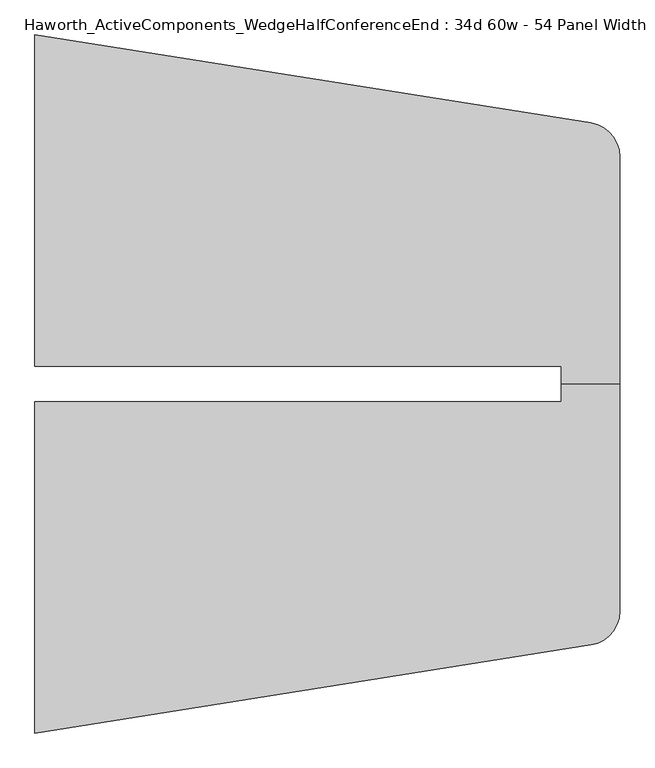
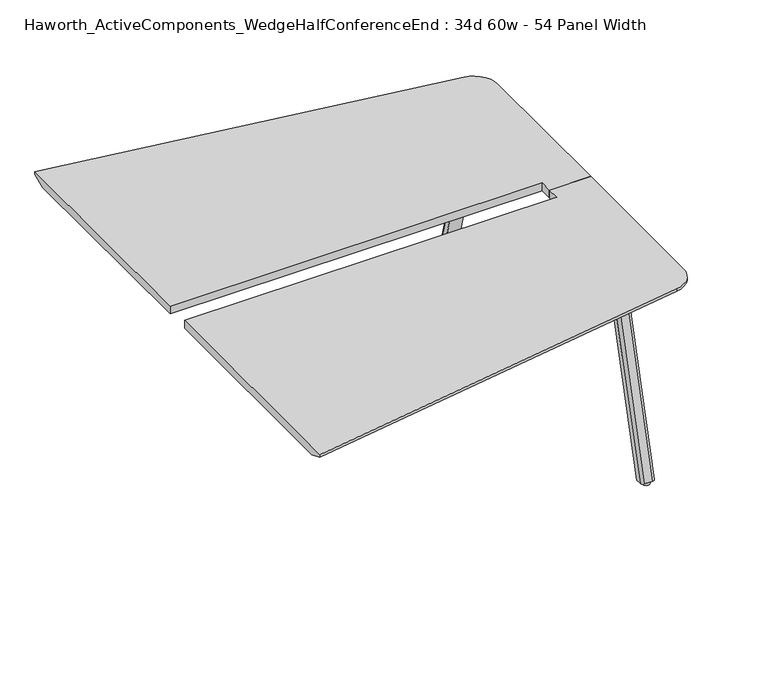
"""IFC4 building model written with IfcOpenShell, lengths in millimetres: furniture geometry, Haworth_ActiveComponents_WedgeHalfConferenceEnd : 34d 60w - 54 Panel Width."""

from ifc_helpers import new_model, si_unit, point, frame, frame_2d, origin, origin_with_axes, place, context, project, spatial, polyline, circle_curve, trimmed, segment, composite_curve, outline, extrude, source, transform, mapped, element, save
from ifc_brep_helpers import plane_surface, cylinder_surface, revolved_surface, extruded_surface, advanced_brep


def haworth_activecomponents_wedgehalfconferenceend_34d_60w_54_ae99fca8(model_context):
    return source(origin(), model_context, "Body", "SolidModel", [
        advanced_brep(
        [(1054.1, 341.5840234, 741.3625), (1054.1, 295.5465234, 741.3625), (1206.5, 295.5465234, 741.3625), (1206.5, 887.8783635, 741.3625), (1131.5070239, 975.6838569, 741.3625), (-317.5, 1205.1840234, 741.3625), (-317.5, 341.5840234, 741.3625), (1054.1, 341.5840234, 711.2), (-317.5, 341.5840234, 711.2), (-317.5, 1153.7507951, 711.2), (1123.5601531, 925.5092892, 711.2), (1155.7, 887.8783635, 711.2), (1155.7, 295.5465234, 711.2), (1054.1, 295.5465234, 711.2), (-317.5, 1205.1840234, 731.8375), (1206.5, 295.5465234, 731.8375), (1206.5, 887.8783635, 731.8375), (1131.5070239, 975.6838569, 731.8375)],
        [
            (0, 1),
            (1, 2),
            (2, 3),
            (3, 4, circle_curve(frame((1117.6, 887.8783635, 741.3625), z_axis=(0.0, 0.0, 1.0), x_axis=(1.0, 0.0, 0.0)), 88.9)),
            (4, 5),
            (5, 6),
            (6, 0),
            (7, 8),
            (8, 9),
            (9, 10),
            (10, 11, circle_curve(frame((1117.6, 887.8783635, 711.2), z_axis=(0.0, 0.0, -1.0), x_axis=(0.15643446504022915, 0.987688340595138, 0.0)), 38.1)),
            (11, 12),
            (12, 13),
            (13, 7),
            (6, 8),
            (7, 0),
            (5, 14),
            (14, 9),
            (2, 15),
            (15, 16),
            (16, 3),
            (1, 13),
            (12, 15),
            (4, 17),
            (17, 14),
            (16, 17, circle_curve(frame((1117.6, 887.8783635, 731.8375), z_axis=(0.0, 0.0, 1.0), x_axis=(1.0, 0.0, 0.0)), 88.9)),
            (17, 10),
            (16, 11),
        ],
        [
            plane_surface(frame((-317.5, 341.5840234, 741.3625), z_axis=(0.0, 0.0, 1.0), x_axis=(-1.0, 0.0, 0.0))),
            plane_surface(frame((-317.5, 341.5840234, 711.2), z_axis=(0.0, 0.0, -1.0), x_axis=(1.0, 0.0, 0.0))),
            plane_surface(frame((1054.1, 341.5840234, 741.3625), z_axis=(0.0, -1.0, 0.0), x_axis=(0.0, 0.0, -1.0))),
            plane_surface(frame((-317.5, 341.5840234, 741.3625), z_axis=(-1.0, 0.0, 0.0), x_axis=(0.0, 0.0, -1.0))),
            plane_surface(frame((1206.5, 887.8783635, 741.3625), z_axis=(1.0, 0.0, 0.0), x_axis=(0.0, 0.0, -1.0))),
            plane_surface(frame((1206.5, 295.5465234, 741.3625), z_axis=(0.0, -1.0, 0.0), x_axis=(0.0, 0.0, -1.0))),
            plane_surface(frame((1054.1, 295.5465234, 741.3625), z_axis=(-1.0, 0.0, 0.0), x_axis=(0.0, 0.0, -1.0))),
            plane_surface(frame((-317.5, 1205.1840234, 741.3625), z_axis=(0.1564344650402402, 0.9876883405951363, 0.0), x_axis=(0.0, 0.0, -1.0))),
            cylinder_surface(frame((1117.6, 887.8783635, 711.2), z_axis=(0.0, 0.0, 1.0), x_axis=(1.0, 0.0, 0.0)), 88.9),
            plane_surface(frame((-317.5, 1205.1840234, 731.8375), z_axis=(0.05887834199406369, 0.3717432209465522, -0.9264665771220856), x_axis=(0.9876883405951363, -0.15643446504024017, 0.0))),
            revolved_surface(polyline([(1123.5601531, 925.5092892, 711.2), (1131.5070239, 975.6838569, 731.8375)]), (1117.6, 887.8783635, 741.3625), (0.0, 0.0, 1.0)),
            plane_surface(frame((1206.5, 887.8783635, 731.8375), z_axis=(0.37637704695648877, 0.0, -0.9264665771220855), x_axis=(0.0, -1.0, 0.0))),
        ],
        [
            (0, [[1, 2, 3, 4, 5, 6, 7]]),
            (1, [[8, 9, 10, 11, 12, 13, 14]]),
            (2, [[15, -8, 16, -7]]),
            (3, [[17, 18, -9, -15, -6]]),
            (4, [[19, 20, 21, -3]]),
            (5, [[22, -13, 23, -19, -2]]),
            (6, [[-16, -14, -22, -1]]),
            (7, [[24, 25, -17, -5]]),
            (8, [[-21, 26, -24, -4]]),
            (9, [[-10, -18, -25, 27]]),
            (10, [[-26, 28, -11, -27]]),
            (11, [[-20, -23, -12, -28]]),
        ],
    ),
        advanced_brep(
        [(1054.1, 249.5090234, 741.3625), (-317.5, 249.5090234, 741.3625), (-317.5, -614.0909766, 741.3625), (1131.5070239, -384.59081, 741.3625), (1206.5, -296.7853166, 741.3625), (1206.5, 295.5465234, 741.3625), (1054.1, 295.5465234, 741.3625), (1054.1, 249.5090234, 711.2), (1054.1, 295.5465234, 711.2), (1155.7, 295.5465234, 711.2), (1155.7, -296.7853166, 711.2), (1123.5601531, -334.4162423, 711.2), (-317.5, -562.6577482, 711.2), (-317.5, 249.5090234, 711.2), (-317.5, -614.0909766, 731.8375), (1206.5, -296.7853166, 731.8375), (1206.5, 295.5465234, 731.8375), (1131.5070239, -384.59081, 731.8375)],
        [
            (0, 1),
            (1, 2),
            (2, 3),
            (3, 4, circle_curve(frame((1117.6, -296.7853166, 741.3625), z_axis=(0.0, 0.0, 1.0), x_axis=(1.0, 0.0, 0.0)), 88.9)),
            (4, 5),
            (5, 6),
            (6, 0),
            (7, 8),
            (8, 9),
            (9, 10),
            (10, 11, circle_curve(frame((1117.6, -296.7853166, 711.2), z_axis=(0.0, 0.0, -1.0), x_axis=(0.1564344650402228, -0.987688340595139, 0.0)), 38.1)),
            (11, 12),
            (12, 13),
            (13, 7),
            (0, 7),
            (13, 1),
            (12, 14),
            (14, 2),
            (4, 15),
            (15, 16),
            (16, 5),
            (16, 9),
            (8, 6),
            (14, 17),
            (17, 3),
            (17, 15, circle_curve(frame((1117.6, -296.7853166, 731.8375), z_axis=(0.0, 0.0, 1.0), x_axis=(1.0, 0.0, 0.0)), 88.9)),
            (11, 17),
            (10, 15),
        ],
        [
            plane_surface(frame((-317.5, 249.5090234, 741.3625), z_axis=(0.0, 0.0, 1.0), x_axis=(-1.0, 0.0, 0.0))),
            plane_surface(frame((-317.5, 249.5090234, 711.2), z_axis=(0.0, 0.0, -1.0), x_axis=(1.0, 0.0, 0.0))),
            plane_surface(frame((1054.1, 249.5090234, 741.3625), z_axis=(0.0, 1.0, 0.0), x_axis=(0.0, 0.0, -1.0))),
            plane_surface(frame((-317.5, 249.5090234, 741.3625), z_axis=(-1.0, 0.0, 0.0), x_axis=(0.0, 0.0, -1.0))),
            plane_surface(frame((1206.5, -296.7853166, 741.3625), z_axis=(1.0, 0.0, 0.0), x_axis=(0.0, 0.0, -1.0))),
            plane_surface(frame((1206.5, 295.5465234, 741.3625), z_axis=(0.0, 1.0, 0.0), x_axis=(0.0, 0.0, -1.0))),
            plane_surface(frame((1054.1, 295.5465234, 741.3625), z_axis=(-1.0, 0.0, 0.0), x_axis=(0.0, 0.0, -1.0))),
            plane_surface(frame((-317.5, -614.0909766, 741.3625), z_axis=(0.15643446504023384, -0.9876883405951373, 0.0), x_axis=(0.0, 0.0, -1.0))),
            cylinder_surface(frame((1117.6, -296.7853166, 711.2), z_axis=(0.0, 0.0, 1.0), x_axis=(1.0, 0.0, 0.0)), 88.9),
            plane_surface(frame((-317.5, -614.0909766, 731.8375), z_axis=(0.0588783419940613, -0.3717432209465526, -0.9264665771220855), x_axis=(0.9876883405951373, 0.1564344650402338, 0.0))),
            revolved_surface(polyline([(1123.5601531, -334.4162423, 711.2), (1131.5070239, -384.59081, 731.8375)]), (1117.6, -296.7853166, 741.3625), (0.0, 0.0, 1.0)),
            plane_surface(frame((1206.5, -296.7853166, 731.8375), z_axis=(0.37637704695648877, 0.0, -0.9264665771220855), x_axis=(0.0, 1.0, 0.0))),
        ],
        [
            (0, [[1, 2, 3, 4, 5, 6, 7]]),
            (1, [[8, 9, 10, 11, 12, 13, 14]]),
            (2, [[-1, 15, -14, 16]]),
            (3, [[-2, -16, -13, 17, 18]]),
            (4, [[-5, 19, 20, 21]]),
            (5, [[-6, -21, 22, -9, 23]]),
            (6, [[-7, -23, -8, -15]]),
            (7, [[-3, -18, 24, 25]]),
            (8, [[-4, -25, 26, -19]]),
            (9, [[27, -24, -17, -12]]),
            (10, [[-27, -11, 28, -26]]),
            (11, [[-28, -10, -22, -20]]),
        ],
    ),
        extrude(outline(composite_curve([segment(polyline([(1056.894, 681.2660641), (948.9440004, 681.2660641)]), True, "CONTINUOUS"), segment(trimmed(circle_curve(frame_2d((948.9440004, 690.7910641)), 9.525), [point((948.9440004, 681.2660641))], [point((939.4190004, 690.7910641))], False, "CARTESIAN"), True, "CONTINUOUS"), segment(polyline([(939.4190004, 690.7910641), (939.4190004, 773.4644335)]), True, "CONTINUOUS"), segment(trimmed(circle_curve(frame_2d((948.9440004, 773.4644335)), 9.525), [point((939.4190004, 773.4644335))], [point((948.9440004, 782.9894335))], False, "CARTESIAN"), True, "CONTINUOUS"), segment(polyline([(948.9440004, 782.9894335), (1056.894, 782.9894335)]), True, "CONTINUOUS"), segment(trimmed(circle_curve(frame_2d((1056.894, 773.4644335)), 9.525), [point((1056.894, 782.9894335))], [point((1066.419, 773.4644335))], False, "CARTESIAN"), True, "CONTINUOUS"), segment(polyline([(1066.419, 773.4644335), (1066.419, 690.7910641)]), True, "CONTINUOUS"), segment(trimmed(circle_curve(frame_2d((1056.894, 690.7910641)), 9.525), [point((1066.419, 690.7910641))], [point((1056.894, 681.2660641))], False, "CARTESIAN"), True, "CONTINUOUS")], self_intersect=False)), frame((0.0, 0.0, 705.2055742), z_axis=(0.0, 0.0, 1.0), x_axis=(1.0, 0.0, 0.0)), (0.0, 0.0, 1.0), 5.9944258),
        advanced_brep(
        [(1050.925, 775.7652734, 705.2055742), (1019.175, 775.7652734, 705.2055742), (1009.65, 766.2402734, 705.2055742), (1009.65, 745.6027734, 705.2055742), (1060.45, 745.6027734, 705.2055742), (1060.45, 766.2402734, 705.2055742), (1050.925, 962.2535641, 12.7), (1060.45, 952.7285641, 12.7), (1060.45, 932.0910641, 12.7), (1009.65, 932.0910641, 12.7), (1009.65, 952.7285641, 12.7), (1019.175, 962.2535641, 12.7)],
        [
            (0, 1),
            (1, 2, circle_curve(frame((1019.175, 766.2402734, 705.2055742), z_axis=(0.0, 0.0, 1.0), x_axis=(1.0, 0.0, 0.0)), 9.525)),
            (2, 3),
            (3, 4),
            (4, 5),
            (5, 0, circle_curve(frame((1050.925, 766.2402734, 705.2055742), z_axis=(0.0, 0.0, 1.0), x_axis=(1.0, 0.0, 0.0)), 9.525)),
            (6, 7, circle_curve(frame((1050.925, 952.7285641, 12.7), z_axis=(0.0, 0.0, -1.0), x_axis=(1.0, 0.0, 0.0)), 9.525)),
            (7, 8),
            (8, 9),
            (9, 10),
            (10, 11, circle_curve(frame((1019.175, 952.7285641, 12.7), z_axis=(0.0, 0.0, -1.0), x_axis=(1.0, 0.0, 0.0)), 9.525)),
            (11, 6),
            (6, 0),
            (5, 7),
            (4, 8),
            (3, 9),
            (2, 10),
            (1, 11),
        ],
        [
            plane_surface(frame((1035.05, 762.5361068, 705.2055742), z_axis=(0.0, 0.0, 1.0), x_axis=(-1.0, 0.0, 0.0))),
            plane_surface(frame((1035.05, 949.0243975, 12.7), z_axis=(0.0, 0.0, -1.0), x_axis=(-1.0, 0.0, 0.0))),
            extruded_surface(trimmed(circle_curve(frame((1050.925, 766.2402734, 705.2055742), z_axis=(0.0, 0.0, -1.0), x_axis=(1.0, 0.0, 0.0)), 9.525), [point((1050.925, 775.7652734, 705.2055742))], [point((1060.45, 766.2402734, 705.2055742))], True, "CARTESIAN"), (0.0, 186.4882907, -692.5055742), 717.1763052878136),
            plane_surface(frame((1060.45, 942.4098141, 12.7), z_axis=(1.0, 0.0, 0.0), x_axis=(0.0, -1.0, 0.0))),
            plane_surface(frame((1035.05, 932.0910641, 12.7), z_axis=(0.0, -0.9656001865922422, -0.260031305140414), x_axis=(-1.0, 0.0, 0.0))),
            plane_surface(frame((1009.65, 942.4098141, 12.7), z_axis=(-1.0, 0.0, 0.0), x_axis=(0.0, 1.0, 0.0))),
            extruded_surface(trimmed(circle_curve(frame((1019.175, 766.2402734, 705.2055742), z_axis=(0.0, 0.0, -1.0), x_axis=(1.0, 0.0, 0.0)), 9.525), [point((1009.65, 766.2402734, 705.2055742))], [point((1019.175, 775.7652734, 705.2055742))], True, "CARTESIAN"), (0.0, 186.4882907, -692.5055742), 717.1763052878136),
            plane_surface(frame((1035.05, 962.2535641, 12.7), z_axis=(0.0, 0.9656001865922422, 0.260031305140414), x_axis=(1.0, 0.0, 0.0))),
        ],
        [
            (0, [[1, 2, 3, 4, 5, 6]]),
            (1, [[7, 8, 9, 10, 11, 12]]),
            (2, [[13, -6, 14, -7]]),
            (3, [[-14, -5, 15, -8]]),
            (4, [[-15, -4, 16, -9]]),
            (5, [[-16, -3, 17, -10]]),
            (6, [[-17, -2, 18, -11]]),
            (7, [[-18, -1, -13, -12]]),
        ],
    ),
        extrude(outline(composite_curve([segment(trimmed(circle_curve(frame_2d((1035.05, 946.3785641)), 12.7), [point((1022.35, 946.3785641))], [point((1047.75, 946.3785641))], False, "CARTESIAN"), True, "CONTINUOUS"), segment(trimmed(circle_curve(frame_2d((1035.05, 946.3785641)), 12.7), [point((1047.75, 946.3785641))], [point((1022.35, 946.3785641))], False, "CARTESIAN"), True, "CONTINUOUS")], self_intersect=False)), origin_with_axes(), (0.0, 0.0, 1.0), 12.7),
        extrude(outline(composite_curve([segment(trimmed(circle_curve(frame_2d((1056.894, -99.6980172)), 9.525), [point((1056.894, -90.1730172))], [point((1066.419, -99.6980172))], False, "CARTESIAN"), True, "CONTINUOUS"), segment(polyline([(1066.419, -99.6980172), (1066.419, -182.3713866)]), True, "CONTINUOUS"), segment(trimmed(circle_curve(frame_2d((1056.894, -182.3713866)), 9.525), [point((1066.419, -182.3713866))], [point((1056.894, -191.8963866))], False, "CARTESIAN"), True, "CONTINUOUS"), segment(polyline([(1056.894, -191.8963866), (948.9440004, -191.8963866)]), True, "CONTINUOUS"), segment(trimmed(circle_curve(frame_2d((948.9440004, -182.3713866)), 9.525), [point((948.9440004, -191.8963866))], [point((939.4190004, -182.3713866))], False, "CARTESIAN"), True, "CONTINUOUS"), segment(polyline([(939.4190004, -182.3713866), (939.4190004, -99.6980172)]), True, "CONTINUOUS"), segment(trimmed(circle_curve(frame_2d((948.9440004, -99.6980172)), 9.525), [point((939.4190004, -99.6980172))], [point((948.9440004, -90.1730172))], False, "CARTESIAN"), True, "CONTINUOUS"), segment(polyline([(948.9440004, -90.1730172), (1056.894, -90.1730172)]), True, "CONTINUOUS")], self_intersect=False)), frame((0.0, 0.0, 705.2055742), z_axis=(0.0, 0.0, 1.0), x_axis=(1.0, 0.0, 0.0)), (0.0, 0.0, 1.0), 5.9944258),
        advanced_brep(
        [(1050.925, -184.6722266, 705.2055742), (1060.45, -175.1472266, 705.2055742), (1060.45, -154.5097266, 705.2055742), (1009.65, -154.5097266, 705.2055742), (1009.65, -175.1472266, 705.2055742), (1019.175, -184.6722266, 705.2055742), (1050.925, -371.1605172, 12.7), (1019.175, -371.1605172, 12.7), (1009.65, -361.6355172, 12.7), (1009.65, -340.9980172, 12.7), (1060.45, -340.9980172, 12.7), (1060.45, -361.6355172, 12.7)],
        [
            (0, 1, circle_curve(frame((1050.925, -175.1472266, 705.2055742), z_axis=(0.0, 0.0, 1.0), x_axis=(1.0, 0.0, 0.0)), 9.525)),
            (1, 2),
            (2, 3),
            (3, 4),
            (4, 5, circle_curve(frame((1019.175, -175.1472266, 705.2055742), z_axis=(0.0, 0.0, 1.0), x_axis=(1.0, 0.0, 0.0)), 9.525)),
            (5, 0),
            (6, 7),
            (7, 8, circle_curve(frame((1019.175, -361.6355172, 12.7), z_axis=(0.0, 0.0, -1.0), x_axis=(1.0, 0.0, 0.0)), 9.525)),
            (8, 9),
            (9, 10),
            (10, 11),
            (11, 6, circle_curve(frame((1050.925, -361.6355172, 12.7), z_axis=(0.0, 0.0, -1.0), x_axis=(1.0, 0.0, 0.0)), 9.525)),
            (11, 1),
            (0, 6),
            (10, 2),
            (9, 3),
            (8, 4),
            (7, 5),
        ],
        [
            plane_surface(frame((1035.05, -171.4430599, 705.2055742), z_axis=(0.0, 0.0, 1.0), x_axis=(-1.0, 0.0, 0.0))),
            plane_surface(frame((1035.05, -357.9313506, 12.7), z_axis=(0.0, 0.0, -1.0), x_axis=(-1.0, 0.0, 0.0))),
            extruded_surface(trimmed(circle_curve(frame((1050.925, -361.6355172, 12.7), z_axis=(0.0, 0.0, 1.0), x_axis=(1.0, 0.0, 0.0)), 9.525), [point((1050.925, -371.1605172, 12.7))], [point((1060.45, -361.6355172, 12.7))], True, "CARTESIAN"), (0.0, 186.48829059999997, 692.5055742), 717.1763052618105),
            plane_surface(frame((1060.45, -351.3167672, 12.7), z_axis=(1.0, 0.0, 0.0), x_axis=(0.0, 1.0, 0.0))),
            plane_surface(frame((1035.05, -340.9980172, 12.7), z_axis=(0.0, 0.9656001865922422, -0.260031305140414), x_axis=(-1.0, 0.0, 0.0))),
            plane_surface(frame((1009.65, -351.3167672, 12.7), z_axis=(-1.0, 0.0, 0.0), x_axis=(0.0, -1.0, 0.0))),
            extruded_surface(trimmed(circle_curve(frame((1019.175, -361.6355172, 12.7), z_axis=(0.0, 0.0, 1.0), x_axis=(1.0, 0.0, 0.0)), 9.525), [point((1009.65, -361.6355172, 12.7))], [point((1019.175, -371.1605172, 12.7))], True, "CARTESIAN"), (0.0, 186.48829059999997, 692.5055742), 717.1763052618105),
            plane_surface(frame((1035.05, -371.1605172, 12.7), z_axis=(0.0, -0.9656001865922422, 0.260031305140414), x_axis=(1.0, 0.0, 0.0))),
        ],
        [
            (0, [[1, 2, 3, 4, 5, 6]]),
            (1, [[7, 8, 9, 10, 11, 12]]),
            (2, [[-12, 13, -1, 14]]),
            (3, [[-11, 15, -2, -13]]),
            (4, [[-10, 16, -3, -15]]),
            (5, [[-9, 17, -4, -16]]),
            (6, [[-8, 18, -5, -17]]),
            (7, [[-7, -14, -6, -18]]),
        ],
    ),
        extrude(outline(composite_curve([segment(trimmed(circle_curve(frame_2d((1035.05, -355.2855172)), 12.7), [point((1022.35, -355.2855172))], [point((1047.75, -355.2855172))], False, "CARTESIAN"), True, "CONTINUOUS"), segment(trimmed(circle_curve(frame_2d((1035.05, -355.2855172)), 12.7), [point((1047.75, -355.2855172))], [point((1022.35, -355.2855172))], False, "CARTESIAN"), True, "CONTINUOUS")], self_intersect=False)), origin_with_axes(), (0.0, 0.0, 1.0), 12.7),
    ])


if __name__ == "__main__":
    model = new_model("IFC4")
    model_context = context("Model", 3, world=origin())
    ifc_project = project(units=[si_unit("LENGTHUNIT", "METRE", prefix="MILLI")], contexts=[model_context])
    site = spatial("IfcSite", under=ifc_project)
    building = spatial("IfcBuilding", under=site)
    placement = place(None, origin())
    haworth_activecomponents_wedgehalfconferenceend_34d_60w_54_shape = haworth_activecomponents_wedgehalfconferenceend_34d_60w_54_ae99fca8(model_context)
    element("IfcFurniture", 1, ObjectType="Haworth_ActiveComponents_WedgeHalfConferenceEnd : 34d 60w - 54 Panel Width", at=placement, inside=building, context=model_context, shape_type="MappedRepresentation", body=[
        mapped(haworth_activecomponents_wedgehalfconferenceend_34d_60w_54_shape, transform((0.0, 0.0, 0.0), x_axis=(1.0, 0.0, 0.0), y_axis=(0.0, 1.0, 0.0), z_axis=(0.0, 0.0, 1.0))),
    ])
    save(model, "model.ifc")
